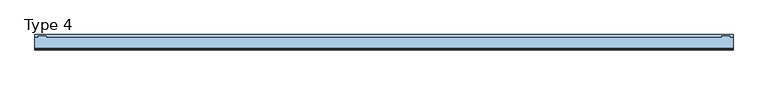
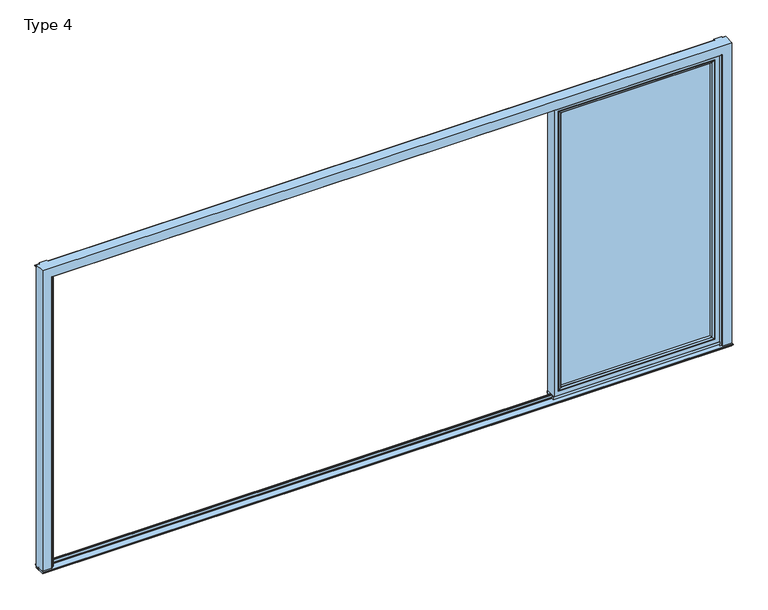
"""IFC4 building model written with IfcOpenShell, lengths in millimetres: window geometry, Type 4."""

import ifcopenshell
import ifcopenshell.guid

model = None  # the IFC model being written
_history = None  # IfcOwnerHistory: only IFC2X3 demands one
_inside = {}  # id of a spatial element -> (the spatial element, [elements in it])
_under = {}  # id of a project, library or spatial element -> (it, [spatial elements below it])
_declared = {}  # id of a project -> (the project, [libraries it declares])
_typed = {}  # id of a type object -> (the type object, [elements of that type])
_made_of = {}  # id of a material, layer set ... -> (it, [elements and type objects made of it])


def new_model(schema):
    """Start an empty IFC model of exactly this schema.

    Asked for "IFC4X3", IfcOpenShell would pick the latest addendum, in which some entities
    have other attributes; the version numbers below select the first issue.
    IFC2X3 requires an IfcOwnerHistory on every rooted entity: one is made here for all.
    """
    global model, _history
    if schema == "IFC4X3":
        model = ifcopenshell.file(schema_version=(4, 3, 0, 0))
    else:
        model = ifcopenshell.file(schema=schema)
    _inside.clear()
    _under.clear()
    _declared.clear()
    _typed.clear()
    _made_of.clear()
    _history = None
    if model.schema == "IFC2X3":
        org = make("IfcOrganization", Name="unknown")
        user = make(
            "IfcPersonAndOrganization",
            ThePerson=make("IfcPerson", FamilyName="unknown"),
            TheOrganization=org,
        )
        app = make(
            "IfcApplication",
            ApplicationDeveloper=org,
            Version="unknown",
            ApplicationFullName="unknown",
            ApplicationIdentifier="unknown",
        )
        _history = make(
            "IfcOwnerHistory",
            OwningUser=user,
            OwningApplication=app,
            ChangeAction="ADDED",
            CreationDate=0,
        )
    return model


def make(cls, **values):
    """One entity of the class cls with the attributes given. An attribute that is None is left unset."""
    return model.create_entity(
        cls, **{name: value for name, value in values.items() if value is not None}
    )


def rooted(cls, **values):
    """An entity with a GlobalId (a new one), such as an element, a storey or a relation."""
    return make(cls, GlobalId=ifcopenshell.guid.new(), OwnerHistory=_history, **values)


def si_unit(unit_type, name, prefix=None):
    """IfcSIUnit, for example si_unit("LENGTHUNIT", "METRE", prefix="MILLI")."""
    return make("IfcSIUnit", UnitType=unit_type, Prefix=prefix, Name=name)


def assignment(units):
    """IfcUnitAssignment: the units of a project."""
    return None if units is None else make("IfcUnitAssignment", Units=units)


def point(xyz):
    """IfcCartesianPoint."""
    return None if xyz is None else make("IfcCartesianPoint", Coordinates=xyz)


def direction(xyz):
    """IfcDirection."""
    return None if xyz is None else make("IfcDirection", DirectionRatios=xyz)


def frame(location, z_axis=None, x_axis=None):
    """IfcAxis2Placement3D, a coordinate frame: its origin and axes. An axis left out is left unset."""
    return make(
        "IfcAxis2Placement3D",
        Location=point(location),
        Axis=direction(z_axis),
        RefDirection=direction(x_axis),
    )


def frame_2d(location, x_axis=None):
    """IfcAxis2Placement2D, a coordinate frame in the plane: its origin and x axis."""
    return make(
        "IfcAxis2Placement2D", Location=point(location), RefDirection=direction(x_axis)
    )


def origin():
    """The frame at (0, 0, 0) with its axes left unset."""
    return frame((0.0, 0.0, 0.0))


def place(relative_to, where):
    """IfcLocalPlacement: puts the frame where relative to a parent placement (None: the world)."""
    return make(
        "IfcLocalPlacement", PlacementRelTo=relative_to, RelativePlacement=where
    )


def context(
    kind, dimensions, precision=None, world=None, true_north=None, identifier=None
):
    """IfcGeometricRepresentationContext, for example the 3D "Model" context."""
    return make(
        "IfcGeometricRepresentationContext",
        ContextIdentifier=identifier,
        ContextType=kind,
        CoordinateSpaceDimension=dimensions,
        Precision=precision,
        WorldCoordinateSystem=world,
        TrueNorth=true_north,
    )


def project(units=None, contexts=None):
    """IfcProject with its units and contexts."""
    return rooted(
        "IfcProject",
        Name="project",
        RepresentationContexts=contexts,
        UnitsInContext=assignment(units),
    )


def spatial(cls, under=None, at=None, **own):
    """A site, building, storey or space (cls), placed at a placement, below another one or the project."""
    s = rooted(cls, ObjectPlacement=at, **own)
    if under is not None:
        _under.setdefault(under.id(), (under, []))[1].append(s)
    return s


def polyline(points):
    """IfcPolyline through the points."""
    return make("IfcPolyline", Points=[point(p) for p in points])


def circle_curve(where, radius):
    """IfcCircle in the frame where."""
    return make("IfcCircle", Position=where, Radius=radius)


def ellipse_curve(where, semi_axis1, semi_axis2):
    """IfcEllipse in the frame where."""
    return make(
        "IfcEllipse", Position=where, SemiAxis1=semi_axis1, SemiAxis2=semi_axis2
    )


def trimmed(basis, trim1, trim2, sense, master):
    """IfcTrimmedCurve: the piece of a basis curve between two trims."""
    return make(
        "IfcTrimmedCurve",
        BasisCurve=basis,
        Trim1=trim1,
        Trim2=trim2,
        SenseAgreement=sense,
        MasterRepresentation=master,
    )


def segment(curve, same_sense, transition):
    """IfcCompositeCurveSegment."""
    return make(
        "IfcCompositeCurveSegment",
        Transition=transition,
        SameSense=same_sense,
        ParentCurve=curve,
    )


def composite_curve(segments, self_intersect=None):
    """IfcCompositeCurve: segments joined end to end."""
    return make("IfcCompositeCurve", Segments=segments, SelfIntersect=self_intersect)


def outline(outer, holes=None, kind="AREA"):
    """IfcArbitraryClosedProfileDef: a profile drawn as a closed curve; with holes, ...WithVoids."""
    if holes is None:
        return make("IfcArbitraryClosedProfileDef", ProfileType=kind, OuterCurve=outer)
    return make(
        "IfcArbitraryProfileDefWithVoids",
        ProfileType=kind,
        OuterCurve=outer,
        InnerCurves=holes,
    )


def extrude(swept, where, along, depth):
    """IfcExtrudedAreaSolid: the profile swept, set in the frame where, extruded along a direction by depth."""
    return make(
        "IfcExtrudedAreaSolid",
        SweptArea=swept,
        Position=where,
        ExtrudedDirection=direction(along),
        Depth=depth,
    )


def shape(context_of_items, identifier, shape_type, items):
    """IfcShapeRepresentation: the items that make up one representation, for example the "Body"."""
    return make(
        "IfcShapeRepresentation",
        ContextOfItems=context_of_items,
        RepresentationIdentifier=identifier,
        RepresentationType=shape_type,
        Items=items,
    )


def source(mapping_origin, context_of_items, identifier, shape_type, items):
    """IfcRepresentationMap: a shape defined once, which mapped items show again and again."""
    return make(
        "IfcRepresentationMap",
        MappingOrigin=mapping_origin,
        MappedRepresentation=shape(context_of_items, identifier, shape_type, items),
    )


def transform(
    local_origin,
    x_axis=None,
    y_axis=None,
    z_axis=None,
    scale=None,
    scale2=None,
    scale3=None,
    uniform=True,
):
    """IfcCartesianTransformationOperator3D, or its non-uniform kind. x_axis, y_axis, z_axis: its Axis1, 2, 3."""
    if uniform:
        return make(
            "IfcCartesianTransformationOperator3D",
            Axis1=direction(x_axis),
            Axis2=direction(y_axis),
            LocalOrigin=point(local_origin),
            Scale=scale,
            Axis3=direction(z_axis),
        )
    return make(
        "IfcCartesianTransformationOperator3DnonUniform",
        Axis1=direction(x_axis),
        Axis2=direction(y_axis),
        LocalOrigin=point(local_origin),
        Scale=scale,
        Axis3=direction(z_axis),
        Scale2=scale2,
        Scale3=scale3,
    )


def mapped(mapping_source, mapping_target):
    """IfcMappedItem: shows the shape of a source again, moved by a transform."""
    return make(
        "IfcMappedItem", MappingSource=mapping_source, MappingTarget=mapping_target
    )


def made_of(thing, what):
    """Note that an element or type object is made of a material, layer set ...; save() writes the relation."""
    if what is not None:
        _made_of.setdefault(what.id(), (what, []))[1].append(thing)
    return thing


def element(
    cls,
    number,
    at=None,
    inside=None,
    cuts=None,
    type_object=None,
    material=None,
    context=None,
    identifier="Body",
    shape_type=None,
    held_by="IfcProductDefinitionShape",
    body=None,
    shapes=None,
    **own,
):
    """One element of the class cls, such as IfcWall. Its Tag is "e" and its number.

    at: its placement. inside: the storey or other place that contains it. cuts: it is an
    opening in that element (IfcRelVoidsElement). A single representation is given by context,
    identifier, shape_type and body (its items); several are given by shapes. held_by: the class
    of the entity that holds the representations. save() writes the other relations.
    """
    e = rooted(cls, Tag="e%d" % number, ObjectPlacement=at, **own)
    if body is not None:
        shapes = [shape(context, identifier, shape_type, body)]
    if shapes is not None:
        e.Representation = make(held_by, Representations=shapes)
    if inside is not None:
        _inside.setdefault(inside.id(), (inside, []))[1].append(e)
    if cuts is not None:
        rooted(
            "IfcRelVoidsElement", RelatingBuildingElement=cuts, RelatedOpeningElement=e
        )
    if type_object is not None:
        _typed.setdefault(type_object.id(), (type_object, []))[1].append(e)
    return made_of(e, material)


def aggregate(whole, parts):
    """IfcRelAggregates: a whole, such as a stair, and the parts it consists of."""
    return rooted("IfcRelAggregates", RelatingObject=whole, RelatedObjects=parts)


def save(model, path):
    """Write the relations noted so far, then the file.

    IfcRelAggregates (storeys below a building ...), IfcRelContainedInSpatialStructure (elements
    in a storey), IfcRelDefinesByType, IfcRelAssociatesMaterial and IfcRelDeclares: one each for
    every whole, place, type object, material and project.
    """
    for whole, parts in _under.values():
        aggregate(whole, parts)
    for where, things in _inside.values():
        rooted(
            "IfcRelContainedInSpatialStructure",
            RelatedElements=things,
            RelatingStructure=where,
        )
    for kind, things in _typed.values():
        rooted("IfcRelDefinesByType", RelatedObjects=things, RelatingType=kind)
    for what, things in _made_of.values():
        rooted("IfcRelAssociatesMaterial", RelatedObjects=things, RelatingMaterial=what)
    for by, libraries in _declared.values():
        rooted("IfcRelDeclares", RelatingContext=by, RelatedDefinitions=libraries)
    model.write(path)


def plane_surface(at):
    """IfcPlane: the flat surface through the origin of the frame at, square to its z axis."""
    return make("IfcPlane", Position=at)


def cylinder_surface(at, radius):
    """IfcCylindricalSurface: all points at the distance radius from the z axis of the frame at."""
    return make("IfcCylindricalSurface", Position=at, Radius=radius)


def advanced_brep(points, edges, surfaces, faces):
    """IfcAdvancedBrep: a solid bounded by faces that lie on surfaces and meet in shared edges.

    An edge is (start, end): straight between two places in points (the first is 0);
    or (start, end, curve); or (start, end, curve, False) where it runs against its curve.
    A face is (place in surfaces, loops), or (place, loops, False) where it looks against
    its surface's normal. A loop lists edges by number (the first is 1), with a minus sign
    where the edge is run from its end to its start. The first loop is the outer one.
    """
    corners = [point(p) for p in points]
    vertices = [make("IfcVertexPoint", VertexGeometry=c) for c in corners]
    made = []
    for start, end, *more in edges:
        made.append(
            make(
                "IfcEdgeCurve",
                EdgeStart=vertices[start],
                EdgeEnd=vertices[end],
                EdgeGeometry=more[0] if more else make("IfcPolyline", Points=[corners[start], corners[end]]),
                SameSense=more[1] if len(more) > 1 else True,
            )
        )
    hull = []
    for where, loops, *sense in faces:
        bounds = []
        for j, loop in enumerate(loops):
            ring = [make("IfcOrientedEdge", EdgeElement=made[abs(k) - 1], Orientation=k > 0) for k in loop]
            bounds.append(
                make(
                    "IfcFaceOuterBound" if j == 0 else "IfcFaceBound",
                    Bound=make("IfcEdgeLoop", EdgeList=ring),
                    Orientation=True,
                )
            )
        hull.append(make("IfcAdvancedFace", Bounds=bounds, FaceSurface=surfaces[where], SameSense=sense[0] if sense else True))
    return make("IfcAdvancedBrep", Outer=make("IfcClosedShell", CfsFaces=hull))


def type_4_a5cffa00(model_context):
    return source(origin(), model_context, "Body", "SolidModel", [
        advanced_brep(
        [(2500.0, -60.0, 2324.0), (2500.0, -60.0, 37.5), (2500.0, 20.0, 37.5), (2500.0, 20.0, 2324.0), (1259.0, -60.0, 37.5), (1259.0, 20.0, 37.5), (1259.0, 20.0, 2324.0), (1304.4996293, 20.0, 82.9996293), (2454.5003707, 20.0, 82.9996293), (2454.5003707, 20.0, 2278.5003707), (1304.4996293, 20.0, 2278.5003707), (1259.0, -60.0, 2324.0), (2468.0, -60.0, 69.5), (1291.0, -60.0, 69.5), (1291.0, -60.0, 2292.0), (2468.0, -60.0, 2292.0), (2468.0, 3.9999997, 2292.0), (2468.0, 3.9999997, 69.5), (1291.0, 3.9999997, 69.5), (1291.0, 3.9999997, 2292.0), (2449.999988, 3.9999997, 87.500012), (1309.000012, 3.9999997, 87.500012), (1309.000012, 3.9999997, 2273.999988), (2449.999988, 3.9999997, 2273.999988), (2449.999988, 15.4995565, 2273.999988), (2449.999988, 15.4995565, 87.500012), (1309.000012, 15.4995565, 87.500012), (1309.000012, 15.4995565, 2273.999988)],
        [
            (0, 1),
            (1, 2),
            (2, 3),
            (3, 0),
            (1, 4),
            (4, 5),
            (5, 2),
            (5, 6),
            (6, 3),
            (7, 8),
            (8, 9),
            (9, 10),
            (10, 7),
            (4, 11),
            (11, 6),
            (0, 11),
            (12, 13),
            (13, 14),
            (14, 15),
            (15, 12),
            (16, 17),
            (17, 12),
            (15, 16),
            (17, 18),
            (18, 13),
            (18, 19),
            (19, 14),
            (16, 19),
            (20, 21),
            (21, 22),
            (22, 23),
            (23, 20),
            (24, 25),
            (25, 20),
            (23, 24),
            (25, 26),
            (26, 21),
            (26, 27),
            (27, 22),
            (7, 26, ellipse_curve(frame((1304.4996293, 15.4995565, 82.9996293), z_axis=(0.7071067811865475, 0.0, -0.7071067811865475), x_axis=(0.7071067811865476, 0.0, 0.7071067811865474)), 6.3645023, 4.5003827)),
            (25, 8, ellipse_curve(frame((2454.5003707, 15.4995565, 82.9996293), z_axis=(-0.7071067811865475, 0.0, -0.7071067811865475), x_axis=(0.7071067811865476, 0.0, -0.7071067811865474)), 6.3645023, 4.5003827)),
            (24, 9, ellipse_curve(frame((2454.5003707, 15.4995565, 2278.5003707), z_axis=(0.7071067811865475, 0.0, -0.7071067811865475), x_axis=(0.7071067811865474, 0.0, 0.7071067811865476)), 6.3645023, 4.5003827)),
            (10, 27, ellipse_curve(frame((1304.4996293, 15.4995565, 2278.5003707), z_axis=(-0.7071067811865475, 0.0, -0.7071067811865475), x_axis=(0.7071067811865474, 0.0, -0.7071067811865476)), 6.3645023, 4.5003827)),
            (27, 24),
        ],
        [
            plane_surface(frame((2500.0, 20.0, 2324.0), z_axis=(1.0, 0.0, 0.0), x_axis=(0.0, 0.0, -1.0))),
            plane_surface(frame((2500.0, 20.0, 37.5), z_axis=(0.0, 0.0, -1.0), x_axis=(-1.0, 0.0, 0.0))),
            plane_surface(frame((2454.5003707, 20.0, 2278.5003707), z_axis=(0.0, 1.0, 0.0), x_axis=(0.0, 0.0, -1.0))),
            plane_surface(frame((1259.0, 20.0, 37.5), z_axis=(-1.0, 0.0, 0.0), x_axis=(0.0, 0.0, 1.0))),
            plane_surface(frame((2500.0, -60.0, 2324.0), z_axis=(0.0, -1.0, 0.0), x_axis=(0.0, 0.0, -1.0))),
            plane_surface(frame((2468.0, -60.0, 2292.0), z_axis=(-1.0, 0.0, 0.0), x_axis=(0.0, 0.0, -1.0))),
            plane_surface(frame((2468.0, -60.0, 69.5), z_axis=(0.0, 0.0, 1.0), x_axis=(-1.0, 0.0, 0.0))),
            plane_surface(frame((1291.0, -60.0, 69.5), z_axis=(1.0, 0.0, 0.0), x_axis=(0.0, 0.0, 1.0))),
            plane_surface(frame((2468.0, 3.9999997, 2292.0), z_axis=(0.0, -1.0, 0.0), x_axis=(0.0, 0.0, -1.0))),
            plane_surface(frame((2449.999988, 3.9999997, 2273.999988), z_axis=(-1.0, 0.0, 0.0), x_axis=(0.0, 0.0, -1.0))),
            plane_surface(frame((2449.999988, 3.9999997, 87.500012), z_axis=(0.0, 0.0, 1.0), x_axis=(-1.0, 0.0, 0.0))),
            plane_surface(frame((1309.000012, 3.9999997, 87.500012), z_axis=(1.0, 0.0, 0.0), x_axis=(0.0, 0.0, 1.0))),
            cylinder_surface(frame((2506.0, 15.4995565, 82.9996293), z_axis=(1.0, 0.0, 0.0), x_axis=(0.0, -1.0, 0.0)), 4.5003827),
            cylinder_surface(frame((2454.5003707, 15.4995565, 2330.0), z_axis=(0.0, 0.0, 1.0), x_axis=(0.0, -1.0, 0.0)), 4.5003827),
            cylinder_surface(frame((1304.4996293, 15.4995565, 31.5), z_axis=(0.0, 0.0, -1.0), x_axis=(0.0, -1.0, 0.0)), 4.5003827),
            plane_surface(frame((1259.0, 20.0, 2324.0), z_axis=(0.0, 0.0, 1.0), x_axis=(1.0, 0.0, 0.0))),
            plane_surface(frame((1291.0, -60.0, 2292.0), z_axis=(0.0, 0.0, -1.0), x_axis=(1.0, 0.0, 0.0))),
            plane_surface(frame((1309.000012, 3.9999997, 2273.999988), z_axis=(0.0, 0.0, -1.0), x_axis=(1.0, 0.0, 0.0))),
            cylinder_surface(frame((1253.0, 15.4995565, 2278.5003707), z_axis=(-1.0, 0.0, 0.0), x_axis=(0.0, -1.0, 0.0)), 4.5003827),
        ],
        [
            (0, [[1, 2, 3, 4]]),
            (1, [[5, 6, 7, -2]]),
            (2, [[-7, 8, 9, -3], [10, 11, 12, 13]]),
            (3, [[14, 15, -8, -6]]),
            (4, [[-5, -1, 16, -14], [17, 18, 19, 20]]),
            (5, [[21, 22, -20, 23]]),
            (6, [[24, 25, -17, -22]]),
            (7, [[26, 27, -18, -25]]),
            (8, [[-24, -21, 28, -26], [29, 30, 31, 32]]),
            (9, [[33, 34, -32, 35]]),
            (10, [[36, 37, -29, -34]]),
            (11, [[38, 39, -30, -37]]),
            (12, [[-10, 40, -36, 41]]),
            (13, [[-11, -41, -33, 42]]),
            (14, [[-13, 43, -38, -40]]),
            (15, [[-16, -4, -9, -15]]),
            (16, [[-28, -23, -19, -27]]),
            (17, [[44, -35, -31, -39]]),
            (18, [[-12, -42, -44, -43]]),
        ],
    ),
        extrude(outline(polyline([(2467.9996828, 3.9999997), (2467.9996828, -34.0000003), (1291.0003172, -34.0000003), (1291.0003172, 3.9999997), (2467.9996828, 3.9999997)])), frame((0.0, 0.0, 69.5003172), z_axis=(0.0, 0.0, 1.0), x_axis=(1.0, 0.0, 0.0)), (0.0, 0.0, 1.0), 2222.4993657),
        advanced_brep(
        [(1312.9998899, -54.5552044, 2270.0001101), (1312.9998899, -54.5552044, 91.4998899), (1312.9998899, -34.0000003, 91.4998899), (1312.9998899, -34.0000003, 2270.0001101), (1291.0003172, -34.0000003, 2291.9996828), (2467.9996828, -34.0000003, 2291.9996828), (2467.9996828, -34.0000003, 69.5003172), (1291.0003172, -34.0000003, 69.5003172), (2446.0001101, -34.0000003, 2270.0001101), (2446.0001101, -34.0000003, 91.4998899), (2446.0001101, -54.5552044, 91.4998899), (1312.2903465, -55.8045072, 2270.7096535), (1312.2903465, -55.8045072, 90.7903465), (2446.7096535, -55.8045072, 90.7903465), (1297.0002561, -60.0, 2285.9997439), (1297.0002561, -60.0, 75.5002561), (2461.9997439, -60.0, 75.5002561), (2467.9996828, -60.0, 2291.9996828), (1291.0003172, -60.0, 2291.9996828), (1291.0003172, -60.0, 69.5003172), (2467.9996828, -60.0, 69.5003172), (2461.9997439, -60.0, 2285.9997439), (2446.0001101, -54.5552044, 2270.0001101), (2446.7096535, -55.8045072, 2270.7096535)],
        [
            (0, 1),
            (1, 2),
            (2, 3),
            (3, 0),
            (4, 5),
            (5, 6),
            (6, 7),
            (7, 4),
            (8, 3),
            (2, 9),
            (9, 8),
            (1, 10),
            (10, 9),
            (11, 12),
            (12, 1, ellipse_curve(frame((1311.5452859, -54.5552044, 90.0452859), z_axis=(-0.7071067811865475, 0.0, 0.7071067811865475), x_axis=(0.7071067811865474, 0.0, 0.7071067811865476)), 2.0571207, 1.454604)),
            (0, 11, ellipse_curve(frame((1311.5452859, -54.5552044, 2271.4547141), z_axis=(-0.7071067811865475, 0.0, -0.7071067811865475), x_axis=(-0.7071067811865474, 0.0, 0.7071067811865476)), 2.0571207, 1.454604)),
            (12, 13),
            (13, 10, ellipse_curve(frame((2447.4547141, -54.5552044, 90.0452859), z_axis=(-0.7071067811865475, 0.0, -0.7071067811865475), x_axis=(-0.7071067811865476, 0.0, 0.7071067811865474)), 2.0571207, 1.454604)),
            (14, 15),
            (15, 12, ellipse_curve(frame((1297.0641917, -30.2735922, 75.5641917), z_axis=(-0.7071067811865475, 0.0, 0.7071067811865475), x_axis=(0.7071067811865474, 0.0, 0.7071067811865476)), 42.0395863, 29.7264765)),
            (11, 14, ellipse_curve(frame((1297.0641917, -30.2735922, 2285.9358083), z_axis=(-0.7071067811865475, 0.0, -0.7071067811865475), x_axis=(-0.7071067811865474, 0.0, 0.7071067811865476)), 42.0395863, 29.7264765)),
            (15, 16),
            (16, 13, ellipse_curve(frame((2461.9358083, -30.2735922, 75.5641917), z_axis=(-0.7071067811865475, 0.0, -0.7071067811865475), x_axis=(-0.7071067811865476, 0.0, 0.7071067811865474)), 42.0395863, 29.7264765)),
            (17, 18),
            (18, 19),
            (19, 20),
            (20, 17),
            (14, 21),
            (21, 16),
            (7, 19),
            (18, 4),
            (6, 20),
            (10, 22),
            (22, 8),
            (13, 23),
            (23, 22, ellipse_curve(frame((2447.4547141, -54.5552044, 2271.4547141), z_axis=(0.7071067811865475, 0.0, -0.7071067811865475), x_axis=(-0.7071067811865474, 0.0, -0.7071067811865476)), 2.0571207, 1.454604)),
            (21, 23, ellipse_curve(frame((2461.9358083, -30.2735922, 2285.9358083), z_axis=(0.7071067811865475, 0.0, -0.7071067811865475), x_axis=(-0.7071067811865474, 0.0, -0.7071067811865476)), 42.0395863, 29.7264765)),
            (5, 17),
            (22, 0),
            (23, 11),
        ],
        [
            plane_surface(frame((1312.9998899, -34.0000003, 2270.0001101), z_axis=(1.0, 0.0, 0.0), x_axis=(0.0, 0.0, -1.0))),
            plane_surface(frame((2467.9996828, -34.0000003, 69.5003172), z_axis=(0.0, 1.0, 0.0), x_axis=(0.0, 0.0, 1.0))),
            plane_surface(frame((1312.9998899, -34.0000003, 91.4998899), z_axis=(0.0, 0.0, 1.0), x_axis=(1.0, 0.0, 0.0))),
            cylinder_surface(frame((1311.5452859, -54.5552044, 2273.999988), z_axis=(0.0, 0.0, 1.0), x_axis=(-1.0, 0.0, 0.0)), 1.454604),
            cylinder_surface(frame((1309.000012, -54.5552044, 90.0452859), z_axis=(-1.0, 0.0, 0.0), x_axis=(0.0, 0.0, -1.0)), 1.454604),
            cylinder_surface(frame((1297.0641917, -30.2735922, 2273.999988), z_axis=(0.0, 0.0, 1.0), x_axis=(-1.0, 0.0, 0.0)), 29.7264765),
            cylinder_surface(frame((1309.000012, -30.2735922, 75.5641917), z_axis=(-1.0, 0.0, 0.0), x_axis=(0.0, 0.0, -1.0)), 29.7264765),
            plane_surface(frame((2461.9997439, -60.0, 75.5002561), z_axis=(0.0, -1.0, 0.0), x_axis=(0.0, 0.0, 1.0))),
            plane_surface(frame((1291.0003172, -60.0, 2291.9996828), z_axis=(-1.0, 0.0, 0.0), x_axis=(0.0, 0.0, -1.0))),
            plane_surface(frame((1291.0003172, -60.0, 69.5003172), z_axis=(0.0, 0.0, -1.0), x_axis=(1.0, 0.0, 0.0))),
            plane_surface(frame((2446.0001101, -34.0000003, 91.4998899), z_axis=(-1.0, 0.0, 0.0), x_axis=(0.0, 0.0, 1.0))),
            cylinder_surface(frame((2447.4547141, -54.5552044, 87.500012), z_axis=(0.0, 0.0, -1.0), x_axis=(1.0, 0.0, 0.0)), 1.454604),
            cylinder_surface(frame((2461.9358083, -30.2735922, 87.500012), z_axis=(0.0, 0.0, -1.0), x_axis=(1.0, 0.0, 0.0)), 29.7264765),
            plane_surface(frame((2467.9996828, -60.0, 69.5003172), z_axis=(1.0, 0.0, 0.0), x_axis=(0.0, 0.0, 1.0))),
            plane_surface(frame((2446.0001101, -34.0000003, 2270.0001101), z_axis=(0.0, 0.0, -1.0), x_axis=(-1.0, 0.0, 0.0))),
            cylinder_surface(frame((2449.999988, -54.5552044, 2271.4547141), z_axis=(1.0, 0.0, 0.0), x_axis=(0.0, 0.0, 1.0)), 1.454604),
            cylinder_surface(frame((2449.999988, -30.2735922, 2285.9358083), z_axis=(1.0, 0.0, 0.0), x_axis=(0.0, 0.0, 1.0)), 29.7264765),
            plane_surface(frame((2467.9996828, -60.0, 2291.9996828), z_axis=(0.0, 0.0, 1.0), x_axis=(-1.0, 0.0, 0.0))),
        ],
        [
            (0, [[1, 2, 3, 4]]),
            (1, [[5, 6, 7, 8], [9, -3, 10, 11]]),
            (2, [[12, 13, -10, -2]]),
            (3, [[14, 15, -1, 16]]),
            (4, [[17, 18, -12, -15]]),
            (5, [[19, 20, -14, 21]]),
            (6, [[22, 23, -17, -20]]),
            (7, [[24, 25, 26, 27], [28, 29, -22, -19]]),
            (8, [[-8, 30, -25, 31]]),
            (9, [[-7, 32, -26, -30]]),
            (10, [[33, 34, -11, -13]]),
            (11, [[35, 36, -33, -18]]),
            (12, [[-29, 37, -35, -23]]),
            (13, [[-6, 38, -27, -32]]),
            (14, [[39, -4, -9, -34]]),
            (15, [[40, -16, -39, -36]]),
            (16, [[-28, -21, -40, -37]]),
            (17, [[-5, -31, -24, -38]]),
        ],
    ),
        extrude(outline(composite_curve([segment(polyline([(20.0, 2362.5), (20.0, 2324.0), (10.0, 2324.0), (10.0, 2365.0), (17.5, 2365.0)]), True, "CONTINUOUS"), segment(trimmed(circle_curve(frame_2d((17.5, 2362.5)), 2.5), [point((17.5, 2365.0))], [point((20.0, 2362.5))], False, "CARTESIAN"), True, "CONTINUOUS")], self_intersect=False)), frame((1253.0, 0.0, 0.0), z_axis=(1.0, 0.0, 0.0), x_axis=(0.0, 1.0, 0.0)), (0.0, 0.0, 1.0), 1253.0),
        extrude(outline(polyline([(1253.0, 20.0), (2506.0, 20.0), (2506.0, 10.0), (1253.0, 10.0), (1253.0, 20.0)])), frame((0.0, 0.0, 15.5), z_axis=(0.0, 0.0, 1.0), x_axis=(1.0, 0.0, 0.0)), (0.0, 0.0, 1.0), 22.0),
        extrude(outline(polyline([(1253.0, -50.0), (2506.0, -50.0), (2506.0, -60.0), (1253.0, -60.0), (1253.0, -50.0)])), frame((0.0, 0.0, 15.5), z_axis=(0.0, 0.0, 1.0), x_axis=(1.0, 0.0, 0.0)), (0.0, 0.0, 1.0), 22.0),
        advanced_brep(
        [(2506.0, -60.0, 0.0), (2517.0, -60.0, 0.0), (2517.0, -60.0, 2317.0), (2506.0, -60.0, 2317.0), (-2517.0, -60.0, 0.0), (-2505.9999505, -60.0, 0.0), (-2505.9999505, -60.0, 2317.0), (-2517.0, -60.0, 2317.0), (-2505.9999505, 20.0, 0.0), (-2505.9999505, 20.0, 2390.0), (-2505.9999505, 9.9999847, 2390.0), (-2505.9999505, 9.9999847, 2354.3999924), (-2505.9999505, 0.1999847, 2354.3999924), (-2505.9999505, 0.1999847, 2365.9997864), (-2505.9999505, -22.3000153, 2365.9997864), (-2505.9999505, -22.3000153, 2354.3999924), (-2505.9999505, -31.8999908, 2354.3999924), (-2505.9999505, -31.8999908, 2359.5), (-2505.9999505, -60.0, 2359.5), (2506.0, 20.0, 0.0), (2506.0, -60.0000153, 2359.5), (2506.0, -31.8999908, 2359.5), (2506.0, -31.8999908, 2354.3999924), (2506.0, -22.3000153, 2354.3999924), (2506.0, -22.3000153, 2365.9997864), (2506.0, 0.1999847, 2365.9997864), (2506.0, 0.1999847, 2354.3999924), (2506.0, 9.9999847, 2354.3999924), (2506.0, 9.9999847, 2390.0), (2506.0, 20.0, 2390.0), (-2565.0, 10.0, 2390.0), (-2565.0, 17.5, 2390.0), (-2565.0, 17.5, 0.0), (-2565.0, 10.0, 0.0), (2565.0, 17.5, 2390.0), (2565.0, 10.0, 2390.0), (2565.0, 10.0, 0.0), (2565.0, 17.5, 0.0), (-2562.5, 20.0, 2390.0), (-2562.5, 20.0, 0.0), (2562.5, 20.0, 2390.0), (2562.5, 20.0, 0.0), (-2517.0, -67.5, 0.0), (-2519.5, -70.0, 0.0), (-2590.0, -70.0, 0.0), (-2590.0, 9.9999847, 0.0), (-2517.0, -67.5, 2317.0), (-2519.5, -70.0, 2319.5), (2519.5, -70.0, 0.0), (2590.0, -70.0, 0.0), (2590.0, -70.0, 2390.0), (-2590.0, -70.0, 2390.0), (2519.5, -70.0, 2319.5), (-2590.0, 9.9999847, 2390.0), (2590.0, 10.0, 2390.0), (2590.0, 10.0, 0.0), (2517.0, -67.5, 0.0), (2517.0, -67.5, 2317.0)],
        [
            (0, 1),
            (1, 2),
            (2, 3),
            (3, 0),
            (4, 5),
            (5, 6),
            (6, 7),
            (7, 4),
            (5, 8),
            (8, 9),
            (9, 10),
            (10, 11),
            (11, 12),
            (12, 13),
            (13, 14),
            (14, 15),
            (15, 16),
            (16, 17),
            (17, 18),
            (18, 6),
            (19, 0),
            (3, 20),
            (20, 21),
            (21, 22),
            (22, 23),
            (23, 24),
            (24, 25),
            (25, 26),
            (26, 27),
            (27, 28),
            (28, 29),
            (29, 19),
            (30, 31),
            (31, 32),
            (32, 33),
            (33, 30),
            (34, 35),
            (35, 36),
            (36, 37),
            (37, 34),
            (31, 38, circle_curve(frame((-2562.5, 17.5, 2390.0), z_axis=(0.0, 0.0, -1.0), x_axis=(0.0, -1.0, 0.0)), 2.5)),
            (38, 39),
            (39, 32, circle_curve(frame((-2562.5, 17.5, 0.0), z_axis=(0.0, 0.0, 1.0), x_axis=(0.0, -1.0, 0.0)), 2.5)),
            (38, 9),
            (8, 39),
            (29, 40),
            (40, 41),
            (41, 19),
            (40, 34, circle_curve(frame((2562.5, 17.5, 2390.0), z_axis=(0.0, 0.0, -1.0), x_axis=(0.0, -1.0, 0.0)), 2.5)),
            (37, 41, circle_curve(frame((2562.5, 17.5, 0.0), z_axis=(0.0, 0.0, 1.0), x_axis=(0.0, -1.0, 0.0)), 2.5)),
            (4, 42),
            (42, 43, circle_curve(frame((-2519.5, -67.5, 0.0), z_axis=(0.0, 0.0, -1.0), x_axis=(0.0, -1.0, 0.0)), 2.5)),
            (43, 44),
            (44, 45),
            (45, 33),
            (7, 46),
            (46, 42),
            (46, 47, ellipse_curve(frame((-2519.5, -67.5, 2319.5), z_axis=(-0.7071067811865475, 0.0, -0.7071067811865475), x_axis=(-0.7071067811865474, 0.0, 0.7071067811865476)), 3.5355339, 2.5)),
            (47, 43),
            (48, 49),
            (49, 50),
            (50, 51),
            (51, 44),
            (47, 52),
            (52, 48),
            (51, 53),
            (53, 45),
            (53, 30),
            (35, 54),
            (54, 55),
            (55, 36),
            (10, 28),
            (27, 11),
            (55, 49),
            (48, 56, circle_curve(frame((2519.5, -67.5, 0.0), z_axis=(0.0, 0.0, -1.0), x_axis=(0.0, -1.0, 0.0)), 2.5)),
            (56, 1),
            (54, 50),
            (52, 57, ellipse_curve(frame((2519.5, -67.5, 2319.5), z_axis=(0.7071067811865475, 0.0, -0.7071067811865475), x_axis=(-0.7071067811865474, 0.0, -0.7071067811865476)), 3.5355339, 2.5)),
            (57, 56),
            (57, 2),
            (26, 12),
            (57, 46),
            (6, 3),
            (25, 13),
            (24, 14),
            (23, 15),
            (22, 16),
            (21, 17),
            (20, 18),
        ],
        [
            plane_surface(frame((2506.0, -60.0, 2390.0), z_axis=(0.0, -1.0, 0.0), x_axis=(0.0, 0.0, -1.0))),
            plane_surface(frame((-2565.9997864, -60.0, 2390.0), z_axis=(0.0, -1.0, 0.0), x_axis=(0.0, 0.0, -1.0))),
            plane_surface(frame((-2505.9999505, -60.0, 2390.0), z_axis=(1.0, 0.0, 0.0), x_axis=(0.0, 0.0, -1.0))),
            plane_surface(frame((2506.0, 20.0, 2390.0), z_axis=(-1.0, 0.0, 0.0), x_axis=(0.0, 0.0, -1.0))),
            plane_surface(frame((-2565.0, 17.5, 2390.0), z_axis=(-1.0, 0.0, 0.0), x_axis=(0.0, 0.0, -1.0))),
            plane_surface(frame((2565.0, 10.0, 2390.0), z_axis=(1.0, 0.0, 0.0), x_axis=(0.0, 0.0, -1.0))),
            cylinder_surface(frame((-2562.5, 17.5, 2390.0), z_axis=(0.0, 0.0, 1.0), x_axis=(0.0, -1.0, 0.0)), 2.5),
            plane_surface(frame((-2505.9999505, 20.0, 2390.0), z_axis=(0.0, 1.0, 0.0), x_axis=(0.0, 0.0, -1.0))),
            plane_surface(frame((2562.5, 20.0, 2390.0), z_axis=(0.0, 1.0, 0.0), x_axis=(0.0, 0.0, -1.0))),
            cylinder_surface(frame((2562.5, 17.5, 2390.0), z_axis=(0.0, 0.0, 1.0), x_axis=(0.0, -1.0, 0.0)), 2.5),
            plane_surface(frame((-2590.0, -70.0, 0.0), z_axis=(0.0, 0.0, -1.0), x_axis=(0.0, -1.0, 0.0))),
            plane_surface(frame((-2517.0, -67.5, 2317.0), z_axis=(1.0, 0.0, 0.0), x_axis=(0.0, 0.0, -1.0))),
            cylinder_surface(frame((-2519.5, -67.5, 2390.0), z_axis=(0.0, 0.0, 1.0), x_axis=(0.0, -1.0, 0.0)), 2.5),
            plane_surface(frame((2590.0, -70.0, 0.0), z_axis=(0.0, -1.0, 0.0), x_axis=(0.0, 0.0, 1.0))),
            plane_surface(frame((-2590.0, 9.9999847, 2390.0), z_axis=(-1.0, 0.0, 0.0), x_axis=(0.0, 0.0, -1.0))),
            plane_surface(frame((-2565.0, 10.0, 2390.0), z_axis=(0.0, 1.0, 0.0), x_axis=(0.0, 0.0, -1.0))),
            plane_surface(frame((2590.0, -70.0, 0.0), z_axis=(0.0, 0.0, -1.0), x_axis=(0.0, -1.0, 0.0))),
            plane_surface(frame((2590.0, 9.9999847, 0.0), z_axis=(1.0, 0.0, 0.0), x_axis=(0.0, 0.0, 1.0))),
            cylinder_surface(frame((2519.5, -67.5, 0.0), z_axis=(0.0, 0.0, -1.0), x_axis=(0.0, -1.0, 0.0)), 2.5),
            plane_surface(frame((2517.0, -67.5, 0.0), z_axis=(-1.0, 0.0, 0.0), x_axis=(0.0, 0.0, 1.0))),
            plane_surface(frame((-2590.0, -70.0, 2390.0), z_axis=(0.0, 0.0, 1.0), x_axis=(0.0, -1.0, 0.0))),
            plane_surface(frame((2554.3999924, 0.1999847, 2354.3999924), z_axis=(0.0, 0.0, -1.0), x_axis=(-1.0, 0.0, 0.0))),
            plane_surface(frame((2517.0, -67.5, 2317.0), z_axis=(0.0, 0.0, -1.0), x_axis=(-1.0, 0.0, 0.0))),
            plane_surface(frame((2565.9997864, 0.1999847, 0.0), z_axis=(0.0, -1.0, 0.0), x_axis=(0.0, 0.0, 1.0))),
            plane_surface(frame((2565.9997864, -22.3000153, 2365.9997864), z_axis=(0.0, 0.0, -1.0), x_axis=(-1.0, 0.0, 0.0))),
            plane_surface(frame((2554.3999924, -22.3000153, 0.0), z_axis=(0.0, 1.0, 0.0), x_axis=(0.0, 0.0, 1.0))),
            plane_surface(frame((2554.3999924, -31.8999908, 2354.3999924), z_axis=(0.0, 0.0, -1.0), x_axis=(-1.0, 0.0, 0.0))),
            plane_surface(frame((2559.5, -31.8999908, 0.0), z_axis=(0.0, -1.0, 0.0), x_axis=(0.0, 0.0, 1.0))),
            plane_surface(frame((2559.5, -60.0000153, 2359.5), z_axis=(0.0, 0.0, -1.0), x_axis=(-1.0, 0.0, 0.0))),
            plane_surface(frame((2517.0, -60.0000153, 0.0), z_axis=(0.0, 1.0, 0.0), x_axis=(0.0, 0.0, 1.0))),
            cylinder_surface(frame((2590.0, -67.5, 2319.5), z_axis=(1.0, 0.0, 0.0), x_axis=(0.0, -1.0, 0.0)), 2.5),
        ],
        [
            (0, [[1, 2, 3, 4]]),
            (1, [[5, 6, 7, 8]]),
            (2, [[9, 10, 11, 12, 13, 14, 15, 16, 17, 18, 19, 20, -6]]),
            (3, [[21, -4, 22, 23, 24, 25, 26, 27, 28, 29, 30, 31, 32]]),
            (4, [[33, 34, 35, 36]]),
            (5, [[37, 38, 39, 40]]),
            (6, [[41, 42, 43, -34]]),
            (7, [[44, -10, 45, -42]]),
            (8, [[46, 47, 48, -32]]),
            (9, [[49, -40, 50, -47]]),
            (10, [[-43, -45, -9, -5, 51, 52, 53, 54, 55, -35]]),
            (11, [[-51, -8, 56, 57]]),
            (12, [[-52, -57, 58, 59]]),
            (13, [[60, 61, 62, 63, -53, -59, 64, 65]]),
            (14, [[-54, -63, 66, 67]]),
            (15, [[68, -36, -55, -67]]),
            (15, [[69, 70, 71, -38]]),
            (15, [[72, -30, 73, -12]]),
            (16, [[-39, -71, 74, -60, 75, 76, -1, -21, -48, -50]]),
            (17, [[-74, -70, 77, -61]]),
            (18, [[-75, -65, 78, 79]]),
            (19, [[-76, -79, 80, -2]]),
            (20, [[-33, -68, -66, -62, -77, -69, -37, -49, -46, -31, -72, -11, -44, -41]]),
            (21, [[-73, -29, 81, -13]]),
            (22, [[-80, 82, -56, -7, 83, -3]]),
            (23, [[84, -14, -81, -28]]),
            (24, [[-84, -27, 85, -15]]),
            (25, [[86, -16, -85, -26]]),
            (26, [[-86, -25, 87, -17]]),
            (27, [[88, -18, -87, -24]]),
            (28, [[89, -19, -88, -23]]),
            (29, [[-83, -20, -89, -22]]),
            (30, [[-64, -58, -82, -78]]),
        ],
    ),
        extrude(outline(polyline([(30.2279949, 2375.5006958), (30.2279949, 2371.1777082), (9.9999847, 2371.1777082), (9.9999847, 2383.6755792), (30.2279949, 2375.5006958)])), frame((-2590.0, 0.0, 0.0), z_axis=(1.0, 0.0, 0.0), x_axis=(0.0, 1.0, 0.0)), (0.0, 0.0, 1.0), 5180.0),
        extrude(outline(polyline([(-22.3000481, 7.0999832), (-22.3000481, -9.9), (0.1999756, -9.9), (0.1999756, 7.0999832), (7.600061, 7.0999832), (7.600061, 3.5), (20.7378222, 3.5), (25.0, 1.0392305), (25.0, 0.0), (10.0, 0.0), (10.0, -18.0), (-70.0, -18.0), (-70.0, 0.0), (-85.0, 0.0), (-85.0, 1.0392305), (-80.7378222, 3.5), (-29.7001335, 3.5), (-29.7001335, 7.0999832), (-22.3000481, 7.0999832)])), frame((-2590.0, 0.0, 0.0), z_axis=(1.0, 0.0, 0.0), x_axis=(0.0, 1.0, 0.0)), (0.0, 0.0, 1.0), 5180.0),
    ])


if __name__ == "__main__":
    model = new_model("IFC4")
    model_context = context("Model", 3, world=origin())
    ifc_project = project(units=[si_unit("LENGTHUNIT", "METRE", prefix="MILLI")], contexts=[model_context])
    site = spatial("IfcSite", under=ifc_project)
    building = spatial("IfcBuilding", under=site)
    placement = place(None, origin())
    type_4_shape = type_4_a5cffa00(model_context)
    element("IfcWindow", 1, ObjectType="Type 4", at=placement, inside=building, context=model_context, shape_type="MappedRepresentation", body=[
        mapped(type_4_shape, transform((0.0, 0.0, 0.0), x_axis=(1.0, 0.0, 0.0), y_axis=(0.0, 1.0, 0.0), z_axis=(0.0, 0.0, 1.0))),
    ])
    save(model, "model.ifc")
